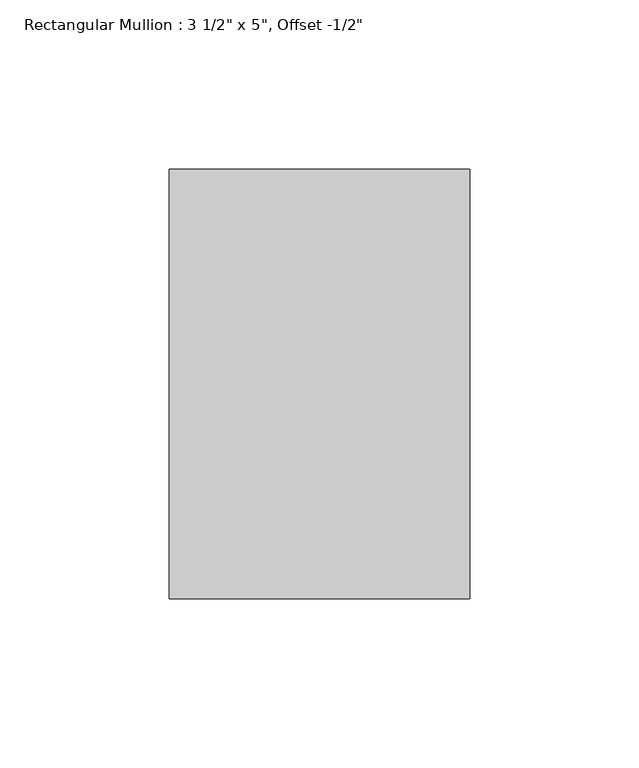
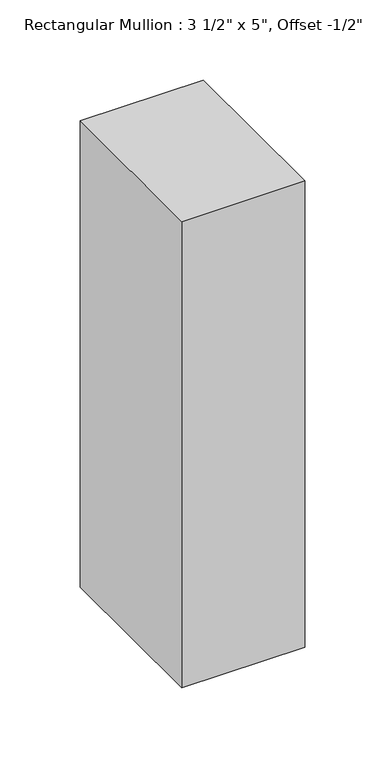
"""IFC4 building model written with IfcOpenShell, lengths in millimetres: member geometry."""

from ifc_helpers import new_model, si_unit, frame, origin, place, context, project, spatial, polyline, outline, extrude, source, transform, mapped, element, save


def member_8b9414c1(model_context):
    return source(origin(), model_context, "Body", "SweptSolid", [
        extrude(outline(polyline([(0.0, 76.2), (0.0, -50.8), (-88.9, -50.8), (-88.9, 76.2), (0.0, 76.2)])), frame((0.0, 0.0, -355.6), z_axis=(0.0, 0.0, 1.0), x_axis=(1.0, 0.0, 0.0)), (0.0, 0.0, 1.0), 355.6),
    ])


if __name__ == "__main__":
    model = new_model("IFC4")
    model_context = context("Model", 3, world=origin())
    ifc_project = project(units=[si_unit("LENGTHUNIT", "METRE", prefix="MILLI")], contexts=[model_context])
    site = spatial("IfcSite", under=ifc_project)
    building = spatial("IfcBuilding", under=site)
    placement = place(None, origin())
    member_shape = member_8b9414c1(model_context)
    element("IfcMember", 1, ObjectType="Rectangular Mullion : 3 1/2\" x 5\", Offset -1/2\"", at=placement, inside=building, context=model_context, shape_type="MappedRepresentation", body=[
        mapped(member_shape, transform((0.0, 0.0, 0.0), x_axis=(1.0, 0.0, 0.0), y_axis=(0.0, 1.0, 0.0), z_axis=(0.0, 0.0, 1.0))),
    ])
    save(model, "model.ifc")
